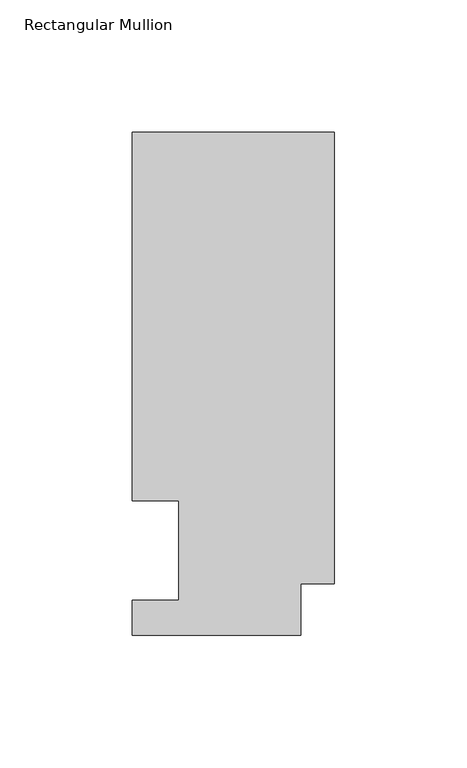
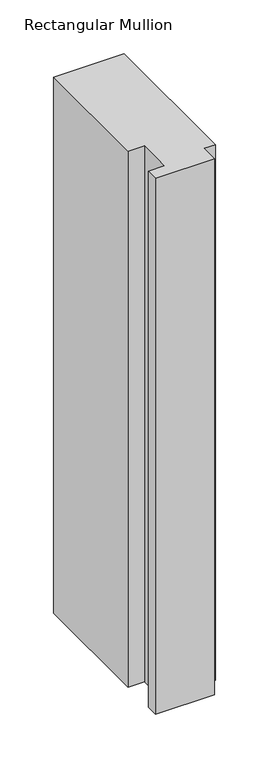
"""IFC4 building model written with IfcOpenShell, lengths in millimetres: member geometry, Rectangular Mullion."""

from ifc_helpers import new_model, si_unit, frame, origin, place, context, project, spatial, polyline, outline, extrude, source, transform, mapped, element, save


def rectangular_mullion_6f70ea86(model_context):
    return source(origin(), model_context, "Body", "SweptSolid", [
        extrude(outline(polyline([(-76.2, 190.0007313), (0.0, 190.0007312), (0.0, 19.5667312), (-12.6999999, 19.5667312), (-12.6999999, 0.041758), (-76.1999999, 0.041758), (-76.1999999, 13.224358), (-58.7374999, 13.224358), (-58.7374999, 50.820278), (-76.2, 50.820278), (-76.2, 190.0007313)])), frame((0.0, 0.0, -609.6), z_axis=(0.0, 0.0, 1.0), x_axis=(1.0, 0.0, 0.0)), (0.0, 0.0, 1.0), 609.6),
    ])


if __name__ == "__main__":
    model = new_model("IFC4")
    model_context = context("Model", 3, world=origin())
    ifc_project = project(units=[si_unit("LENGTHUNIT", "METRE", prefix="MILLI")], contexts=[model_context])
    site = spatial("IfcSite", under=ifc_project)
    building = spatial("IfcBuilding", under=site)
    placement = place(None, origin())
    rectangular_mullion_shape = rectangular_mullion_6f70ea86(model_context)
    element("IfcMember", 1, ObjectType="Rectangular Mullion", at=placement, inside=building, context=model_context, shape_type="MappedRepresentation", body=[
        mapped(rectangular_mullion_shape, transform((0.0, 0.0, 0.0), x_axis=(1.0, 0.0, 0.0), y_axis=(0.0, 1.0, 0.0), z_axis=(0.0, 0.0, 1.0))),
    ])
    save(model, "model.ifc")
